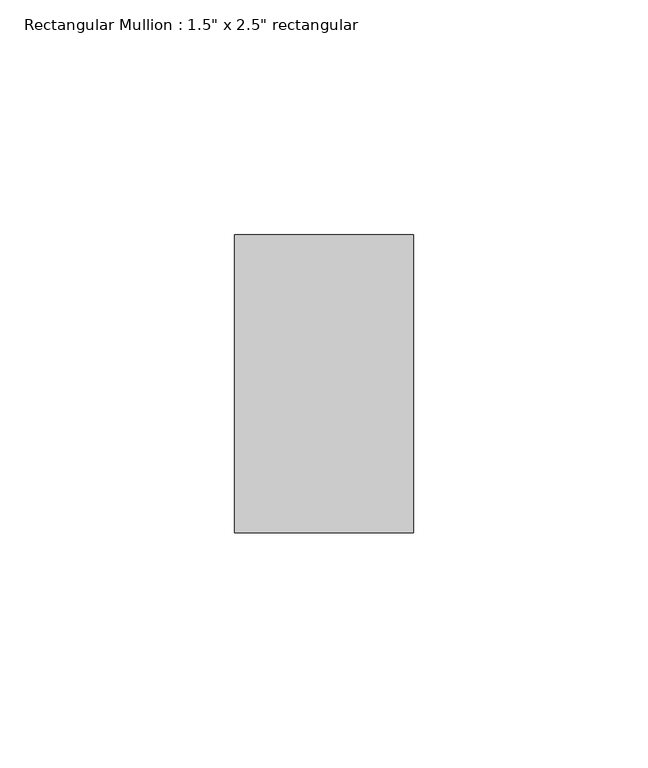
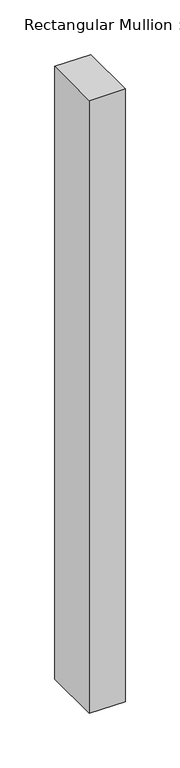
"""IFC4 building model written with IfcOpenShell, lengths in millimetres: member geometry."""

import ifcopenshell
import ifcopenshell.guid

model = None  # the IFC model being written
_history = None  # IfcOwnerHistory: only IFC2X3 demands one
_inside = {}  # id of a spatial element -> (the spatial element, [elements in it])
_under = {}  # id of a project, library or spatial element -> (it, [spatial elements below it])
_declared = {}  # id of a project -> (the project, [libraries it declares])
_typed = {}  # id of a type object -> (the type object, [elements of that type])
_made_of = {}  # id of a material, layer set ... -> (it, [elements and type objects made of it])


def new_model(schema):
    """Start an empty IFC model of exactly this schema.

    Asked for "IFC4X3", IfcOpenShell would pick the latest addendum, in which some entities
    have other attributes; the version numbers below select the first issue.
    IFC2X3 requires an IfcOwnerHistory on every rooted entity: one is made here for all.
    """
    global model, _history
    if schema == "IFC4X3":
        model = ifcopenshell.file(schema_version=(4, 3, 0, 0))
    else:
        model = ifcopenshell.file(schema=schema)
    _inside.clear()
    _under.clear()
    _declared.clear()
    _typed.clear()
    _made_of.clear()
    _history = None
    if model.schema == "IFC2X3":
        org = make("IfcOrganization", Name="unknown")
        user = make(
            "IfcPersonAndOrganization",
            ThePerson=make("IfcPerson", FamilyName="unknown"),
            TheOrganization=org,
        )
        app = make(
            "IfcApplication",
            ApplicationDeveloper=org,
            Version="unknown",
            ApplicationFullName="unknown",
            ApplicationIdentifier="unknown",
        )
        _history = make(
            "IfcOwnerHistory",
            OwningUser=user,
            OwningApplication=app,
            ChangeAction="ADDED",
            CreationDate=0,
        )
    return model


def make(cls, **values):
    """One entity of the class cls with the attributes given. An attribute that is None is left unset."""
    return model.create_entity(
        cls, **{name: value for name, value in values.items() if value is not None}
    )


def rooted(cls, **values):
    """An entity with a GlobalId (a new one), such as an element, a storey or a relation."""
    return make(cls, GlobalId=ifcopenshell.guid.new(), OwnerHistory=_history, **values)


def si_unit(unit_type, name, prefix=None):
    """IfcSIUnit, for example si_unit("LENGTHUNIT", "METRE", prefix="MILLI")."""
    return make("IfcSIUnit", UnitType=unit_type, Prefix=prefix, Name=name)


def assignment(units):
    """IfcUnitAssignment: the units of a project."""
    return None if units is None else make("IfcUnitAssignment", Units=units)


def point(xyz):
    """IfcCartesianPoint."""
    return None if xyz is None else make("IfcCartesianPoint", Coordinates=xyz)


def direction(xyz):
    """IfcDirection."""
    return None if xyz is None else make("IfcDirection", DirectionRatios=xyz)


def frame(location, z_axis=None, x_axis=None):
    """IfcAxis2Placement3D, a coordinate frame: its origin and axes. An axis left out is left unset."""
    return make(
        "IfcAxis2Placement3D",
        Location=point(location),
        Axis=direction(z_axis),
        RefDirection=direction(x_axis),
    )


def origin():
    """The frame at (0, 0, 0) with its axes left unset."""
    return frame((0.0, 0.0, 0.0))


def place(relative_to, where):
    """IfcLocalPlacement: puts the frame where relative to a parent placement (None: the world)."""
    return make(
        "IfcLocalPlacement", PlacementRelTo=relative_to, RelativePlacement=where
    )


def context(
    kind, dimensions, precision=None, world=None, true_north=None, identifier=None
):
    """IfcGeometricRepresentationContext, for example the 3D "Model" context."""
    return make(
        "IfcGeometricRepresentationContext",
        ContextIdentifier=identifier,
        ContextType=kind,
        CoordinateSpaceDimension=dimensions,
        Precision=precision,
        WorldCoordinateSystem=world,
        TrueNorth=true_north,
    )


def project(units=None, contexts=None):
    """IfcProject with its units and contexts."""
    return rooted(
        "IfcProject",
        Name="project",
        RepresentationContexts=contexts,
        UnitsInContext=assignment(units),
    )


def spatial(cls, under=None, at=None, **own):
    """A site, building, storey or space (cls), placed at a placement, below another one or the project."""
    s = rooted(cls, ObjectPlacement=at, **own)
    if under is not None:
        _under.setdefault(under.id(), (under, []))[1].append(s)
    return s


def polyline(points):
    """IfcPolyline through the points."""
    return make("IfcPolyline", Points=[point(p) for p in points])


def outline(outer, holes=None, kind="AREA"):
    """IfcArbitraryClosedProfileDef: a profile drawn as a closed curve; with holes, ...WithVoids."""
    if holes is None:
        return make("IfcArbitraryClosedProfileDef", ProfileType=kind, OuterCurve=outer)
    return make(
        "IfcArbitraryProfileDefWithVoids",
        ProfileType=kind,
        OuterCurve=outer,
        InnerCurves=holes,
    )


def extrude(swept, where, along, depth):
    """IfcExtrudedAreaSolid: the profile swept, set in the frame where, extruded along a direction by depth."""
    return make(
        "IfcExtrudedAreaSolid",
        SweptArea=swept,
        Position=where,
        ExtrudedDirection=direction(along),
        Depth=depth,
    )


def shape(context_of_items, identifier, shape_type, items):
    """IfcShapeRepresentation: the items that make up one representation, for example the "Body"."""
    return make(
        "IfcShapeRepresentation",
        ContextOfItems=context_of_items,
        RepresentationIdentifier=identifier,
        RepresentationType=shape_type,
        Items=items,
    )


def source(mapping_origin, context_of_items, identifier, shape_type, items):
    """IfcRepresentationMap: a shape defined once, which mapped items show again and again."""
    return make(
        "IfcRepresentationMap",
        MappingOrigin=mapping_origin,
        MappedRepresentation=shape(context_of_items, identifier, shape_type, items),
    )


def transform(
    local_origin,
    x_axis=None,
    y_axis=None,
    z_axis=None,
    scale=None,
    scale2=None,
    scale3=None,
    uniform=True,
):
    """IfcCartesianTransformationOperator3D, or its non-uniform kind. x_axis, y_axis, z_axis: its Axis1, 2, 3."""
    if uniform:
        return make(
            "IfcCartesianTransformationOperator3D",
            Axis1=direction(x_axis),
            Axis2=direction(y_axis),
            LocalOrigin=point(local_origin),
            Scale=scale,
            Axis3=direction(z_axis),
        )
    return make(
        "IfcCartesianTransformationOperator3DnonUniform",
        Axis1=direction(x_axis),
        Axis2=direction(y_axis),
        LocalOrigin=point(local_origin),
        Scale=scale,
        Axis3=direction(z_axis),
        Scale2=scale2,
        Scale3=scale3,
    )


def mapped(mapping_source, mapping_target):
    """IfcMappedItem: shows the shape of a source again, moved by a transform."""
    return make(
        "IfcMappedItem", MappingSource=mapping_source, MappingTarget=mapping_target
    )


def made_of(thing, what):
    """Note that an element or type object is made of a material, layer set ...; save() writes the relation."""
    if what is not None:
        _made_of.setdefault(what.id(), (what, []))[1].append(thing)
    return thing


def element(
    cls,
    number,
    at=None,
    inside=None,
    cuts=None,
    type_object=None,
    material=None,
    context=None,
    identifier="Body",
    shape_type=None,
    held_by="IfcProductDefinitionShape",
    body=None,
    shapes=None,
    **own,
):
    """One element of the class cls, such as IfcWall. Its Tag is "e" and its number.

    at: its placement. inside: the storey or other place that contains it. cuts: it is an
    opening in that element (IfcRelVoidsElement). A single representation is given by context,
    identifier, shape_type and body (its items); several are given by shapes. held_by: the class
    of the entity that holds the representations. save() writes the other relations.
    """
    e = rooted(cls, Tag="e%d" % number, ObjectPlacement=at, **own)
    if body is not None:
        shapes = [shape(context, identifier, shape_type, body)]
    if shapes is not None:
        e.Representation = make(held_by, Representations=shapes)
    if inside is not None:
        _inside.setdefault(inside.id(), (inside, []))[1].append(e)
    if cuts is not None:
        rooted(
            "IfcRelVoidsElement", RelatingBuildingElement=cuts, RelatedOpeningElement=e
        )
    if type_object is not None:
        _typed.setdefault(type_object.id(), (type_object, []))[1].append(e)
    return made_of(e, material)


def aggregate(whole, parts):
    """IfcRelAggregates: a whole, such as a stair, and the parts it consists of."""
    return rooted("IfcRelAggregates", RelatingObject=whole, RelatedObjects=parts)


def save(model, path):
    """Write the relations noted so far, then the file.

    IfcRelAggregates (storeys below a building ...), IfcRelContainedInSpatialStructure (elements
    in a storey), IfcRelDefinesByType, IfcRelAssociatesMaterial and IfcRelDeclares: one each for
    every whole, place, type object, material and project.
    """
    for whole, parts in _under.values():
        aggregate(whole, parts)
    for where, things in _inside.values():
        rooted(
            "IfcRelContainedInSpatialStructure",
            RelatedElements=things,
            RelatingStructure=where,
        )
    for kind, things in _typed.values():
        rooted("IfcRelDefinesByType", RelatedObjects=things, RelatingType=kind)
    for what, things in _made_of.values():
        rooted("IfcRelAssociatesMaterial", RelatedObjects=things, RelatingMaterial=what)
    for by, libraries in _declared.values():
        rooted("IfcRelDeclares", RelatingContext=by, RelatedDefinitions=libraries)
    model.write(path)


def member_3beb5faa(model_context):
    return source(origin(), model_context, "Body", "SweptSolid", [
        extrude(outline(polyline([(19.05, -19.05), (19.05, -82.55), (-19.05, -82.55), (-19.05, -19.05), (19.05, -19.05)])), frame((0.0, 0.0, -685.8), z_axis=(0.0, 0.0, 1.0), x_axis=(1.0, 0.0, 0.0)), (0.0, 0.0, 1.0), 685.8),
    ])


if __name__ == "__main__":
    model = new_model("IFC4")
    model_context = context("Model", 3, world=origin())
    ifc_project = project(units=[si_unit("LENGTHUNIT", "METRE", prefix="MILLI")], contexts=[model_context])
    site = spatial("IfcSite", under=ifc_project)
    building = spatial("IfcBuilding", under=site)
    placement = place(None, origin())
    member_shape = member_3beb5faa(model_context)
    element("IfcMember", 1, ObjectType="Rectangular Mullion : 1.5\" x 2.5\" rectangular", at=placement, inside=building, context=model_context, shape_type="MappedRepresentation", body=[
        mapped(member_shape, transform((0.0, 0.0, 0.0), x_axis=(1.0, 0.0, 0.0), y_axis=(0.0, 1.0, 0.0), z_axis=(0.0, 0.0, 1.0))),
    ])
    save(model, "model.ifc")
